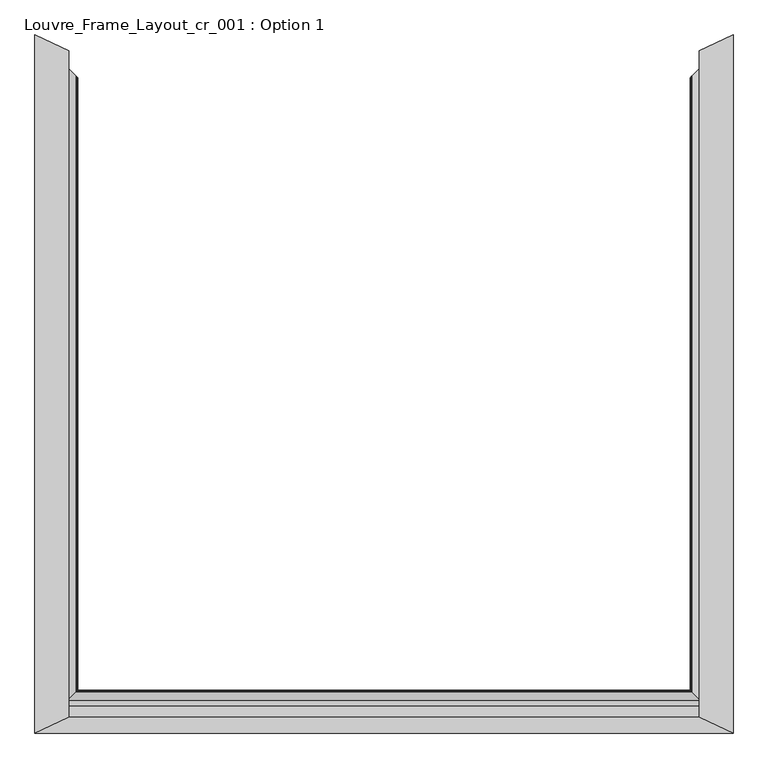
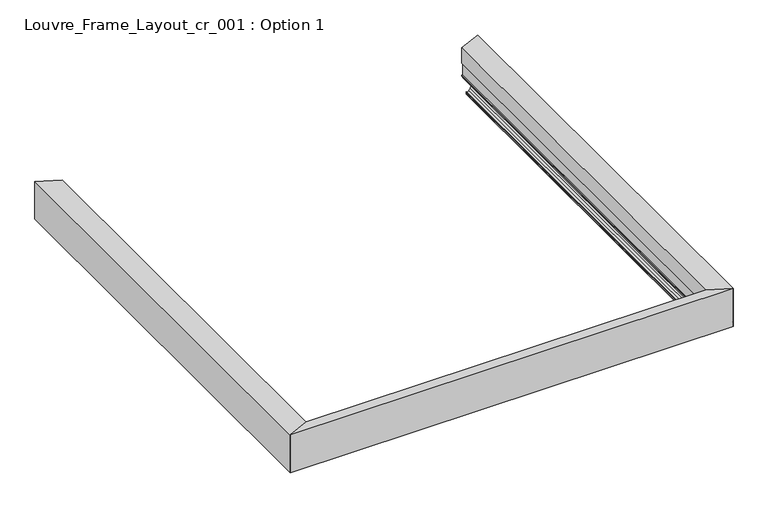
"""IFC4 building model written with IfcOpenShell, lengths in millimetres: proxy geometry, Louvre_Frame_Layout_cr_001 : Option 1."""

from ifc_helpers import new_model, si_unit, frame, origin, place, context, project, spatial, polyline, ellipse_curve, source, transform, mapped, element, save
from ifc_brep_helpers import plane_surface, cylinder_surface, revolved_surface, advanced_brep


def louvre_frame_layout_cr_001_option_1_b5c56db8(model_context):
    return source(origin(), model_context, "Body", "AdvancedBrep", [
        advanced_brep(
        [(3500.0, -1860.0, 40.0285881), (3354.7049082, -1714.7471297, 40.0285881), (3357.499356, -1717.5407655, 38.8575344), (3435.6421077, -1795.6608096, 38.8575344), (3437.2798539, -1797.2980799, 37.2197882), (3437.2798539, -1797.2980799, 30.0771301), (3448.0054103, -1808.0205195, 30.0771301), (3448.0054103, -1808.0205195, 7.0067374), (3443.0005687, -1803.0171323, 2.0018958), (3364.8199959, -1724.8592781, 2.0018958), (3336.794989, -1696.842415, 7.4266447), (3291.7291256, -1651.7896474, 25.5580129), (3291.7291256, -1651.7896474, 39.3616238), (3291.0621612, -1651.1228768, 40.0285881), (3285.4888339, -1645.5511691, 40.0285881), (3284.8218695, -1644.8843985, 39.3616238), (3284.8218695, -1644.8843985, 26.5150991), (3285.3886853, -1645.4510496, 25.9589183), (3349.8942843, -1709.9379038, 0.0), (3500.0, -1860.0, 0.0), (3500.0, -1860.0, 36.793065), (3354.7049082, 1494.7471297, 40.0285881), (3500.0, 1640.0, 40.0285881), (3500.0, 1640.0, 36.793065), (3500.0, 1640.0, 0.0), (3349.8942843, 1489.9379038, 0.0), (3285.3886853, 1425.4510496, 25.9589183), (3284.8218695, 1424.8843985, 26.5150991), (3284.8218695, 1424.8843985, 39.3616238), (3285.4888339, 1425.5511691, 40.0285881), (3291.0621612, 1431.1228768, 40.0285881), (3291.7291256, 1431.7896474, 39.3616238), (3291.7291256, 1431.7896474, 25.5580129), (3336.794989, 1476.842415, 7.4266447), (3364.8199959, 1504.8592781, 2.0018958), (3443.0005687, 1583.0171323, 2.0018958), (3448.0054103, 1588.0205195, 7.0067374), (3448.0054103, 1588.0205195, 30.0771301), (3437.2798539, 1577.2980799, 30.0771301), (3437.2798539, 1577.2980799, 37.2197882), (3435.6421077, 1575.6608096, 38.8575344), (3357.499356, 1497.5407655, 38.8575344), (3330.2950263, 1560.0512704, 186.2985422), (3330.2950263, 1560.0512704, 315.1230176), (3500.0, 1640.0, 315.1230176), (3354.7049082, 1571.5508688, 40.0285881), (3352.0673551, 1570.3083064, 42.7736155), (3330.3018549, 1560.0544873, 79.2796958), (3330.3018549, 1560.0544873, 88.3970766), (3336.7193678, 1563.0778048, 88.3970766), (3336.7193678, 1563.0778048, 186.2985422), (3354.7049082, -1791.5508688, 40.0285881), (3330.2950263, -1780.0512704, 186.2985422), (3330.2950263, -1780.0512704, 315.1230176), (3336.7193678, -1783.0778048, 186.2985422), (3336.7193678, -1783.0778048, 88.3970766), (3330.3018549, -1780.0544873, 88.3970766), (3330.3018549, -1780.0544873, 79.2796958), (3352.0673551, -1790.3083064, 42.7736155), (3500.0, -1860.0, 315.1230176)],
        [
            (0, 1),
            (1, 2, ellipse_curve(frame((3359.3065931, -1719.3474774, 47.0897633), z_axis=(-0.70700401906678, -0.7072095283743144, 0.0), x_axis=(0.7072095283743143, -0.70700401906678, 0.0)), 11.917639, 8.4282679)),
            (2, 3),
            (3, 4, ellipse_curve(frame((3435.6421077, -1795.6608096, 37.2197882), z_axis=(0.70700401906678, 0.7072095283743144, 0.0), x_axis=(-0.7072095283743143, 0.70700401906678, 0.0)), 2.3157864, 1.6377462)),
            (4, 5),
            (5, 6),
            (6, 7),
            (7, 8, ellipse_curve(frame((3443.0005687, -1803.0171323, 7.0067374), z_axis=(0.70700401906678, 0.7072095283743144, 0.0), x_axis=(-0.7072095283743143, 0.70700401906678, 0.0)), 7.0768866, 5.0048416)),
            (8, 9),
            (9, 10, ellipse_curve(frame((3364.8119854, -1724.85127, 77.0634267), z_axis=(0.70700401906678, 0.7072095283743144, 0.0), x_axis=(-0.7072095283743143, 0.70700401906678, 0.0)), 106.1376132, 75.0615314)),
            (10, 11),
            (11, 12),
            (12, 13, ellipse_curve(frame((3291.0621612, -1651.1228768, 39.3616238), z_axis=(-0.70700401906678, -0.7072095283743144, 0.0), x_axis=(0.7072095283743143, -0.70700401906678, 0.0)), 0.943093, 0.6669644)),
            (13, 14),
            (14, 15, ellipse_curve(frame((3285.4888339, -1645.5511691, 39.3616238), z_axis=(-0.70700401906678, -0.7072095283743144, 0.0), x_axis=(0.7072095283743143, -0.70700401906678, 0.0)), 0.943093, 0.6669644)),
            (15, 16),
            (16, 17, ellipse_curve(frame((3285.7754513, -1645.8377032, 26.9199973), z_axis=(-0.70700401906678, -0.7072095283743144, 0.0), x_axis=(0.7072095283743143, -0.70700401906678, 0.0)), 1.4648884, 1.035983)),
            (17, 18),
            (18, 19),
            (19, 20),
            (20, 0),
            (21, 22),
            (22, 23),
            (23, 24),
            (24, 25),
            (25, 26),
            (26, 27, ellipse_curve(frame((3285.7754513, 1425.8377032, 26.9199973), z_axis=(-0.7070040190647345, 0.7072095283763594, 0.0), x_axis=(-0.7072095283763595, -0.7070040190647343, 0.0)), 1.4648884, 1.035983)),
            (27, 28),
            (28, 29, ellipse_curve(frame((3285.4888339, 1425.5511691, 39.3616238), z_axis=(-0.7070040190647345, 0.7072095283763594, 0.0), x_axis=(-0.7072095283763595, -0.7070040190647343, 0.0)), 0.943093, 0.6669644)),
            (29, 30),
            (30, 31, ellipse_curve(frame((3291.0621612, 1431.1228768, 39.3616238), z_axis=(-0.7070040190647345, 0.7072095283763594, 0.0), x_axis=(-0.7072095283763595, -0.7070040190647343, 0.0)), 0.943093, 0.6669644)),
            (31, 32),
            (32, 33),
            (33, 34, ellipse_curve(frame((3364.8119854, 1504.85127, 77.0634267), z_axis=(0.7070040190647345, -0.7072095283763594, 0.0), x_axis=(0.7072095283763595, 0.7070040190647343, 0.0)), 106.1376132, 75.0615314)),
            (34, 35),
            (35, 36, ellipse_curve(frame((3443.0005687, 1583.0171323, 7.0067374), z_axis=(0.7070040190647345, -0.7072095283763594, 0.0), x_axis=(0.7072095283763595, 0.7070040190647343, 0.0)), 7.0768866, 5.0048416)),
            (36, 37),
            (37, 38),
            (38, 39),
            (39, 40, ellipse_curve(frame((3435.6421077, 1575.6608096, 37.2197882), z_axis=(0.7070040190647345, -0.7072095283763594, 0.0), x_axis=(0.7072095283763595, 0.7070040190647343, 0.0)), 2.3157864, 1.6377462)),
            (40, 41),
            (41, 21, ellipse_curve(frame((3359.3065931, 1499.3474775, 47.0897633), z_axis=(-0.7070040190647345, 0.7072095283763594, 0.0), x_axis=(-0.7072095283763595, -0.7070040190647343, 0.0)), 11.917639, 8.4282679)),
            (42, 43),
            (43, 44),
            (44, 22),
            (22, 45),
            (45, 46, ellipse_curve(frame((3359.3065931, 1573.718742, 47.0897633), z_axis=(-0.4261791510910806, 0.9046387849165467, 0.0), x_axis=(-0.9046387849165468, -0.42617915109108023, 0.0)), 9.3167218, 8.4282679)),
            (46, 47),
            (47, 48),
            (48, 49),
            (49, 50),
            (50, 42),
            (0, 51),
            (51, 1),
            (21, 45),
            (42, 52),
            (52, 53),
            (53, 43),
            (50, 54),
            (54, 52),
            (49, 55),
            (55, 54),
            (48, 56),
            (56, 55),
            (47, 57),
            (57, 56),
            (46, 58),
            (58, 57),
            (51, 58, ellipse_curve(frame((3359.3065931, -1793.718742, 47.0897633), z_axis=(0.42617915109110965, 0.9046387849165329, 0.0), x_axis=(0.9046387849165329, -0.4261791510911096, 0.0)), 9.3167218, 8.4282679)),
            (41, 2),
            (40, 3),
            (39, 4),
            (38, 5),
            (37, 6),
            (36, 7),
            (35, 8),
            (34, 9),
            (33, 10),
            (32, 11),
            (31, 12),
            (30, 13),
            (29, 14),
            (28, 15),
            (27, 16),
            (26, 17),
            (25, 18),
            (24, 19),
            (44, 59),
            (59, 0),
            (53, 59),
        ],
        [
            plane_surface(frame((3500.0, -1860.0, 40.0285881), z_axis=(-0.70700401906678, -0.7072095283743144, 0.0), x_axis=(0.0, 0.0, -1.0))),
            plane_surface(frame((3241.9060249, 1381.9810249, 40.0285881), z_axis=(-0.7070040190647345, 0.7072095283763594, 0.0), x_axis=(0.0, 0.0, -1.0))),
            plane_surface(frame((3330.2950263, 1560.0512704, 355.5911694), z_axis=(-0.4261791510910806, 0.9046387849165467, 0.0), x_axis=(0.0, 0.0, -1.0))),
            plane_surface(frame((3241.9060249, -1601.9810249, 40.0285881), z_axis=(0.0, 0.0, -1.0), x_axis=(0.0, -1.0, 0.0))),
            plane_surface(frame((3500.0, 1640.0, 40.0285881), z_axis=(0.0, 0.0, -1.0000000000000002), x_axis=(0.7072095283763594, 0.7070040190647345, 0.0))),
            plane_surface(frame((3330.2950263, -1860.0, 315.1230176), z_axis=(-1.0, 0.0, 0.0), x_axis=(0.0, 1.0, 0.0))),
            plane_surface(frame((3330.2950263, -1860.0, 186.2985422), z_axis=(0.0, 0.0, -1.0), x_axis=(0.0, 1.0, 0.0))),
            plane_surface(frame((3336.7193678, -1860.0, 186.2985422), z_axis=(-1.0, 0.0, 0.0), x_axis=(0.0, 1.0, 0.0))),
            plane_surface(frame((3336.7193678, -1860.0, 88.3970766), z_axis=(0.0, 0.0, 1.0), x_axis=(0.0, 1.0, 0.0))),
            plane_surface(frame((3330.3018549, -1860.0, 88.3970766), z_axis=(-1.0, 0.0, 0.0), x_axis=(0.0, 1.0, 0.0))),
            plane_surface(frame((3330.3018549, -1860.0, 79.2796958), z_axis=(-0.8589235852565517, 0.0, -0.5121037733604697), x_axis=(0.0, 1.0, 0.0))),
            cylinder_surface(frame((3359.3065931, -1860.0, 47.0897633), z_axis=(0.0, -1.0, 0.0), x_axis=(-1.0, 0.0, 0.0)), 8.4282679),
            plane_surface(frame((3357.499356, -1860.0, 38.8575344), z_axis=(0.0, 0.0, -1.0), x_axis=(0.0, 1.0, 0.0))),
            revolved_surface(polyline([(3434.0043615, 1577.2980798999997, 37.2197882), (3434.0043615, -1797.2980799, 37.2197882)]), (3435.6421077, -1860.0, 37.2197882), (0.0, 1.0, 0.0)),
            plane_surface(frame((3437.2798539, -1860.0, 37.2197882), z_axis=(-1.0, 0.0, 0.0), x_axis=(0.0, 1.0, 0.0))),
            plane_surface(frame((3437.2798539, -1860.0, 30.0771301), z_axis=(0.0, 0.0, -1.0), x_axis=(0.0, 1.0, 0.0))),
            plane_surface(frame((3448.0054103, -1860.0, 30.0771301), z_axis=(-1.0, 0.0, 0.0), x_axis=(0.0, 1.0, 0.0))),
            revolved_surface(polyline([(3437.9957271, 1588.0205195686653, 7.0067374), (3437.9957271, -1808.02051956868, 7.0067374)]), (3443.0005687, -1860.0, 7.0067374), (0.0, 1.0, 0.0)),
            plane_surface(frame((3443.0005687, -1860.0, 2.0018958), z_axis=(0.0, 0.0, 1.0), x_axis=(0.0, 1.0, 0.0))),
            revolved_surface(polyline([(3289.750454, 1579.890989106338, 77.0634267), (3289.750454, -1799.8909891065555, 77.0634267)]), (3364.8119854, -1860.0, 77.0634267), (0.0, 1.0, 0.0)),
            plane_surface(frame((3336.794989, -1860.0, 7.4266447), z_axis=(0.37325372835204107, 0.0, 0.9277293001039154), x_axis=(0.0, 1.0, 0.0))),
            plane_surface(frame((3291.7291256, -1860.0, 25.5580129), z_axis=(1.0, 0.0, 0.0), x_axis=(0.0, 1.0, 0.0))),
            cylinder_surface(frame((3291.0621612, -1860.0, 39.3616238), z_axis=(0.0, -1.0, 0.0), x_axis=(-1.0, 0.0, 0.0)), 0.6669644),
            plane_surface(frame((3291.0621612, -1860.0, 40.0285881), z_axis=(0.0, 0.0, 1.0), x_axis=(0.0, 1.0, 0.0))),
            cylinder_surface(frame((3285.4888339, -1860.0, 39.3616238), z_axis=(0.0, -1.0, 0.0), x_axis=(1.0, 0.0, 0.0)), 0.6669644),
            plane_surface(frame((3284.8218695, -1860.0, 39.3616238), z_axis=(-1.0, 0.0, 0.0), x_axis=(0.0, 1.0, 0.0))),
            cylinder_surface(frame((3285.7754513, -1860.0, 26.9199973), z_axis=(0.0, -1.0, 0.0), x_axis=(-1.0, 0.0, 0.0)), 1.035983),
            plane_surface(frame((3285.3886853, -1860.0, 25.9589183), z_axis=(-0.3733323631651337, 0.0, -0.9276976590536039), x_axis=(0.0, 1.0, 0.0))),
            plane_surface(frame((3349.8942843, -1860.0, 0.0), z_axis=(0.0, 0.0, -1.0), x_axis=(0.0, 1.0, 0.0))),
            plane_surface(frame((3500.0, -1860.0, 0.0), z_axis=(1.0, 0.0, 0.0), x_axis=(0.0, 1.0, 0.0))),
            plane_surface(frame((3500.0, -1860.0, 315.1230176), z_axis=(0.0, 0.0, 1.0), x_axis=(0.0, 1.0, 0.0))),
            plane_surface(frame((3500.0, -1860.0, 355.5911694), z_axis=(-0.42617915109110965, -0.9046387849165329, 0.0), x_axis=(0.0, 0.0, -1.0))),
        ],
        [
            (0, [[1, 2, 3, 4, 5, 6, 7, 8, 9, 10, 11, 12, 13, 14, 15, 16, 17, 18, 19, 20, 21]]),
            (1, [[22, 23, 24, 25, 26, 27, 28, 29, 30, 31, 32, 33, 34, 35, 36, 37, 38, 39, 40, 41, 42]]),
            (2, [[43, 44, 45, 46, 47, 48, 49, 50, 51, 52]]),
            (3, [[-1, 53, 54]]),
            (4, [[-22, 55, -46]]),
            (5, [[-43, 56, 57, 58]]),
            (6, [[-52, 59, 60, -56]]),
            (7, [[-51, 61, 62, -59]]),
            (8, [[-50, 63, 64, -61]]),
            (9, [[-49, 65, 66, -63]]),
            (10, [[-48, 67, 68, -65]]),
            (11, [[-2, -54, 69, -67, -47, -55, -42, 70]]),
            (12, [[-3, -70, -41, 71]]),
            (13, [[-4, -71, -40, 72]]),
            (14, [[-5, -72, -39, 73]]),
            (15, [[-6, -73, -38, 74]]),
            (16, [[-7, -74, -37, 75]]),
            (17, [[-8, -75, -36, 76]]),
            (18, [[-9, -76, -35, 77]]),
            (19, [[-10, -77, -34, 78]]),
            (20, [[-11, -78, -33, 79]]),
            (21, [[-12, -79, -32, 80]]),
            (22, [[-13, -80, -31, 81]]),
            (23, [[-14, -81, -30, 82]]),
            (24, [[-15, -82, -29, 83]]),
            (25, [[-16, -83, -28, 84]]),
            (26, [[-17, -84, -27, 85]]),
            (27, [[-18, -85, -26, 86]]),
            (28, [[87, -19, -86, -25]]),
            (29, [[-87, -24, -23, -45, 88, 89, -21, -20]]),
            (30, [[-88, -44, -58, 90]]),
            (31, [[-57, -60, -62, -64, -66, -68, -69, -53, -89, -90]]),
        ],
    ),
        advanced_brep(
        [(57.3003291, -1802.6996709, 38.7959832), (55.2974109, -1804.7025891, 36.793065), (52.5783381, -1807.4216619, 36.793065), (51.9945897, -1808.0054103, 36.2093165), (51.9945897, -1808.0054103, 7.0067374), (56.9994313, -1803.0005687, 2.0018958), (135.1800041, -1724.8199959, 2.0018958), (163.205011, -1696.794989, 7.4266447), (208.2708744, -1651.7291256, 25.5580129), (208.2708744, -1651.7291256, 39.3616238), (208.9378388, -1651.0621612, 40.0285881), (214.5111661, -1645.4888339, 40.0285881), (215.1781305, -1644.8218695, 39.3616238), (215.1781305, -1644.8218695, 26.1870213), (150.1057157, -1709.8942843, 0.0), (0.0, -1860.0, 0.0), (0.0, -1860.0, 38.8575344), (3444.7025891, -1804.7025891, 36.793065), (3442.6996709, -1802.6996709, 38.7959832), (3500.0, -1860.0, 38.8575344), (3500.0, -1860.0, 0.0), (3349.8942843, -1709.8942843, 0.0), (3284.8218695, -1644.8218695, 26.1870213), (3284.8218695, -1644.8218695, 39.3616238), (3285.4888339, -1645.4888339, 40.0285881), (3291.0621612, -1651.0621612, 40.0285881), (3291.7291256, -1651.7291256, 39.3616238), (3291.7291256, -1651.7291256, 25.5580129), (3336.794989, -1696.794989, 7.4266447), (3364.8199959, -1724.8199959, 2.0018958), (3443.0005687, -1803.0005687, 2.0018958), (3448.0054103, -1808.0054103, 7.0067374), (3448.0054103, -1808.0054103, 36.2093165), (3447.4216619, -1807.4216619, 36.793065), (3330.2950263, -1780.0512704, 316.6276048), (3330.2950263, -1780.0512704, 186.7535382), (169.7049737, -1780.0512704, 186.7535382), (169.7049737, -1780.0512704, 316.6276048), (3389.6325118, -1808.0054103, 186.7535382), (110.3674882, -1808.0054103, 186.7535382), (3389.6325118, -1808.0054103, 66.9467725), (110.3674882, -1808.0054103, 66.9467725), (3388.3114217, -1807.3830392, 66.3244014), (111.6885783, -1807.3830392, 66.3244014), (3382.6221378, -1804.7027935, 66.3244014), (117.3778622, -1804.7027935, 66.3244014), (3378.3701643, -1802.6996709, 64.3212787), (121.6298357, -1802.6996709, 64.3212787), (3378.3701643, -1802.6996709, 38.7959832), (121.6298357, -1802.6996709, 38.7959832), (3500.0, -1860.0, 40.0285881), (3500.0, -1860.0, 316.6276048), (0.0, -1860.0, 316.6276048), (0.0, -1860.0, 40.0285881)],
        [
            (0, 1, ellipse_curve(frame((55.2974109, -1804.7025891, 38.7959832), z_axis=(-0.7071067811864462, 0.7071067811866489, 0.0), x_axis=(-0.7071067811866488, -0.7071067811864462, 0.0)), 2.832554, 2.0029182)),
            (1, 2),
            (2, 3, ellipse_curve(frame((52.5783381, -1807.4216619, 36.2093165), z_axis=(0.7071067811864462, -0.7071067811866489, 0.0), x_axis=(0.7071067811866488, 0.7071067811864462, 0.0)), 0.825545, 0.5837485)),
            (3, 4),
            (4, 5, ellipse_curve(frame((56.9994313, -1803.0005687, 7.0067374), z_axis=(0.7071067811864462, -0.7071067811866489, 0.0), x_axis=(0.7071067811866488, 0.7071067811864462, 0.0)), 7.0779149, 5.0048416)),
            (5, 6),
            (6, 7, ellipse_curve(frame((135.1880146, -1724.8119854, 77.0634267), z_axis=(0.7071067811864462, -0.7071067811866489, 0.0), x_axis=(0.7071067811866488, 0.7071067811864462, 0.0)), 106.1530357, 75.0615314)),
            (7, 8),
            (8, 9),
            (9, 10, ellipse_curve(frame((208.9378388, -1651.0621612, 39.3616238), z_axis=(-0.7071067811864462, 0.7071067811866489, 0.0), x_axis=(-0.7071067811866488, -0.7071067811864462, 0.0)), 0.94323, 0.6669644)),
            (10, 11),
            (11, 12, ellipse_curve(frame((214.5111661, -1645.4888339, 39.3616238), z_axis=(-0.7071067811864462, 0.7071067811866489, 0.0), x_axis=(-0.7071067811866488, -0.7071067811864462, 0.0)), 0.94323, 0.6669644)),
            (12, 13),
            (13, 14),
            (14, 15),
            (15, 16),
            (16, 0),
            (17, 18, ellipse_curve(frame((3444.7025891, -1804.7025891, 38.7959832), z_axis=(0.7071067811866589, 0.7071067811864362, 0.0), x_axis=(-0.7071067811864361, 0.707106781186659, 0.0)), 2.832554, 2.0029182)),
            (18, 19),
            (19, 20),
            (20, 21),
            (21, 22),
            (22, 23),
            (23, 24, ellipse_curve(frame((3285.4888339, -1645.4888339, 39.3616238), z_axis=(0.7071067811866589, 0.7071067811864362, 0.0), x_axis=(-0.7071067811864361, 0.707106781186659, 0.0)), 0.94323, 0.6669644)),
            (24, 25),
            (25, 26, ellipse_curve(frame((3291.0621612, -1651.0621612, 39.3616238), z_axis=(0.7071067811866589, 0.7071067811864362, 0.0), x_axis=(-0.7071067811864361, 0.707106781186659, 0.0)), 0.94323, 0.6669644)),
            (26, 27),
            (27, 28),
            (28, 29, ellipse_curve(frame((3364.8119854, -1724.8119854, 77.0634267), z_axis=(-0.7071067811866589, -0.7071067811864362, 0.0), x_axis=(0.7071067811864361, -0.707106781186659, 0.0)), 106.1530357, 75.0615314)),
            (29, 30),
            (30, 31, ellipse_curve(frame((3443.0005687, -1803.0005687, 7.0067374), z_axis=(-0.7071067811866589, -0.7071067811864362, 0.0), x_axis=(0.7071067811864361, -0.707106781186659, 0.0)), 7.0779149, 5.0048416)),
            (31, 32),
            (32, 33, ellipse_curve(frame((3447.4216619, -1807.4216619, 36.2093165), z_axis=(-0.7071067811866589, -0.7071067811864362, 0.0), x_axis=(0.7071067811864361, -0.707106781186659, 0.0)), 0.825545, 0.5837485)),
            (33, 17),
            (34, 35),
            (35, 36),
            (36, 37),
            (37, 34),
            (35, 38),
            (38, 39),
            (39, 36),
            (38, 40),
            (40, 41),
            (41, 39),
            (40, 42, ellipse_curve(frame((3388.3114217, -1807.3830392, 66.9467725), z_axis=(0.42617915109109655, 0.9046387849165392, 0.0), x_axis=(0.9046387849165392, -0.4261791510910966, 0.0)), 1.460351, 0.6223711)),
            (42, 43),
            (43, 41, ellipse_curve(frame((111.6885783, -1807.3830392, 66.9467725), z_axis=(-0.42617915109134613, 0.9046387849164216, 0.0), x_axis=(0.9046387849164216, 0.4261791510913462, 0.0)), 1.460351, 0.6223711)),
            (42, 44),
            (44, 45),
            (45, 43),
            (44, 46, ellipse_curve(frame((3382.6221378, -1804.7027935, 64.3212787), z_axis=(-0.42617915109109655, -0.9046387849165392, 0.0), x_axis=(-0.9046387849165392, 0.4261791510910966, 0.0)), 4.7001892, 2.0031227)),
            (46, 47),
            (47, 45, ellipse_curve(frame((117.3778622, -1804.7027935, 64.3212787), z_axis=(0.42617915109134613, -0.9046387849164216, 0.0), x_axis=(-0.9046387849164216, -0.4261791510913462, 0.0)), 4.7001892, 2.0031227)),
            (46, 48),
            (48, 49),
            (49, 47),
            (0, 49),
            (48, 18),
            (17, 1),
            (33, 2),
            (32, 3),
            (31, 4),
            (30, 5),
            (29, 6),
            (28, 7),
            (27, 8),
            (26, 9),
            (25, 10),
            (24, 11),
            (23, 12),
            (22, 13),
            (21, 14),
            (20, 15),
            (19, 50),
            (50, 51),
            (51, 52),
            (52, 53),
            (53, 16),
            (51, 34),
            (37, 52),
            (48, 19),
            (16, 49),
        ],
        [
            plane_surface(frame((0.0, -1860.0, 40.0285881), z_axis=(-0.7071067811864462, 0.7071067811866489, 0.0), x_axis=(0.0, 0.0, -1.0))),
            plane_surface(frame((3241.9060249, -1601.9060249, 40.0285881), z_axis=(0.7071067811866589, 0.7071067811864362, 0.0), x_axis=(0.0, 0.0, -1.0))),
            plane_surface(frame((0.0, -1780.0512704, 316.6276048), z_axis=(0.0, 1.0, 0.0), x_axis=(1.0, 0.0, 0.0))),
            plane_surface(frame((0.0, -1780.0512704, 186.7535382), z_axis=(0.0, 0.0, -1.0), x_axis=(1.0, 0.0, 0.0))),
            plane_surface(frame((0.0, -1808.0054103, 186.7535382), z_axis=(0.0, 1.0, 0.0), x_axis=(1.0, 0.0, 0.0))),
            revolved_surface(polyline([(3389.6325118541918, -1806.7606681, 66.9467725), (110.36748814580852, -1806.7606681, 66.9467725)]), (0.0, -1807.3830392, 66.9467725), (1.0, 0.0, 0.0)),
            plane_surface(frame((0.0, -1807.3830392, 66.3244014), z_axis=(0.0, 0.0, 1.0), x_axis=(1.0, 0.0, 0.0))),
            cylinder_surface(frame((0.0, -1804.7027935, 64.3212787), z_axis=(-1.0, 0.0, 0.0), x_axis=(0.0, 1.0, 0.0)), 2.0031227),
            plane_surface(frame((0.0, -1802.6996709, 64.3212787), z_axis=(0.0, 1.0, 0.0), x_axis=(1.0, 0.0, 0.0))),
            cylinder_surface(frame((0.0, -1804.7025891, 38.7959832), z_axis=(-1.0, 0.0, 0.0), x_axis=(0.0, 1.0, 0.0)), 2.0029182),
            plane_surface(frame((0.0, -1804.7025891, 36.793065), z_axis=(0.0, 0.0, -1.0), x_axis=(1.0, 0.0, 0.0))),
            revolved_surface(polyline([(3448.0054103676744, -1806.8379134, 36.2093165), (51.99458963232527, -1806.8379134, 36.2093165)]), (0.0, -1807.4216619, 36.2093165), (1.0, 0.0, 0.0)),
            plane_surface(frame((0.0, -1808.0054103, 36.2093165), z_axis=(0.0, 1.0, 0.0), x_axis=(1.0, 0.0, 0.0))),
            revolved_surface(polyline([(3448.00541032245, -1797.9957271, 7.0067374), (51.99458967754798, -1797.9957271, 7.0067374)]), (0.0, -1803.0005687, 7.0067374), (1.0, 0.0, 0.0)),
            plane_surface(frame((0.0, -1803.0005687, 2.0018958), z_axis=(0.0, 0.0, 1.0), x_axis=(1.0, 0.0, 0.0))),
            revolved_surface(polyline([(3439.873516786996, -1649.750454, 77.0634267), (60.12648321298158, -1649.750454, 77.0634267)]), (0.0, -1724.8119854, 77.0634267), (1.0, 0.0, 0.0)),
            plane_surface(frame((0.0, -1696.794989, 7.4266447), z_axis=(0.0, -0.37325372835204085, 0.9277293001039155), x_axis=(1.0, 0.0, 0.0))),
            plane_surface(frame((0.0, -1651.7291256, 25.5580129), z_axis=(0.0, -1.0, 0.0), x_axis=(1.0, 0.0, 0.0))),
            cylinder_surface(frame((0.0, -1651.0621612, 39.3616238), z_axis=(-1.0, 0.0, 0.0), x_axis=(0.0, 1.0, 0.0)), 0.6669644),
            plane_surface(frame((0.0, -1651.0621612, 40.0285881), z_axis=(0.0, 0.0, 1.0), x_axis=(1.0, 0.0, 0.0))),
            cylinder_surface(frame((0.0, -1645.4888339, 39.3616238), z_axis=(-1.0, 0.0, 0.0), x_axis=(0.0, -1.0, 0.0)), 0.6669644),
            plane_surface(frame((0.0, -1644.8218695, 39.3616238), z_axis=(0.0, 1.0, 0.0), x_axis=(1.0, 0.0, 0.0))),
            plane_surface(frame((0.0, -1644.8218695, 26.1870213), z_axis=(0.0, 0.3733323631651337, -0.927697659053604), x_axis=(1.0, 0.0, 0.0))),
            plane_surface(frame((0.0, -1709.8942843, 0.0), z_axis=(0.0, 0.0, -1.0), x_axis=(1.0, 0.0, 0.0))),
            plane_surface(frame((0.0, -1860.0, 0.0), z_axis=(0.0, -1.0, 0.0), x_axis=(1.0, 0.0, 0.0))),
            plane_surface(frame((0.0, -1860.0, 316.6276048), z_axis=(0.0, 0.0, 1.0), x_axis=(1.0, 0.0, 0.0))),
            plane_surface(frame((3500.0, -1860.0, 38.8575344), z_axis=(0.0, 0.0, 1.0), x_axis=(-0.9046387849165392, 0.42617915109109655, 0.0))),
            plane_surface(frame((3330.2950263, -1780.0512704, 398.4370867), z_axis=(0.42617915109109655, 0.9046387849165392, 0.0), x_axis=(0.0, 0.0, -1.0))),
            plane_surface(frame((0.0, -1780.0512704, 38.8575344), z_axis=(0.0, 0.0, 1.0), x_axis=(1.0, 0.0, 0.0))),
            plane_surface(frame((0.0, -1860.0, 398.4370867), z_axis=(-0.42617915109134613, 0.9046387849164216, 0.0), x_axis=(0.0, 0.0, -1.0))),
        ],
        [
            (0, [[1, 2, 3, 4, 5, 6, 7, 8, 9, 10, 11, 12, 13, 14, 15, 16, 17]]),
            (1, [[18, 19, 20, 21, 22, 23, 24, 25, 26, 27, 28, 29, 30, 31, 32, 33, 34]]),
            (2, [[35, 36, 37, 38]]),
            (3, [[39, 40, 41, -36]]),
            (4, [[42, 43, 44, -40]]),
            (5, [[45, 46, 47, -43]]),
            (6, [[48, 49, 50, -46]]),
            (7, [[51, 52, 53, -49]]),
            (8, [[54, 55, 56, -52]]),
            (9, [[-1, 57, -55, 58, -18, 59]]),
            (10, [[-2, -59, -34, 60]]),
            (11, [[-3, -60, -33, 61]]),
            (12, [[-4, -61, -32, 62]]),
            (13, [[-5, -62, -31, 63]]),
            (14, [[-6, -63, -30, 64]]),
            (15, [[-7, -64, -29, 65]]),
            (16, [[-8, -65, -28, 66]]),
            (17, [[-9, -66, -27, 67]]),
            (18, [[-10, -67, -26, 68]]),
            (19, [[-11, -68, -25, 69]]),
            (20, [[-12, -69, -24, 70]]),
            (21, [[-13, -70, -23, 71]]),
            (22, [[-14, -71, -22, 72]]),
            (23, [[73, -15, -72, -21]]),
            (24, [[-73, -20, 74, 75, 76, 77, 78, -16]]),
            (25, [[-76, 79, -38, 80]]),
            (26, [[81, -19, -58]]),
            (27, [[-81, -54, -51, -48, -45, -42, -39, -35, -79, -75, -74]]),
            (28, [[82, -57, -17]]),
            (29, [[-82, -78, -77, -80, -37, -41, -44, -47, -50, -53, -56]]),
        ],
    ),
        advanced_brep(
        [(145.2950918, -1714.7049082, 40.0285881), (0.0, -1860.0, 40.0285881), (0.0, -1860.0, 36.793065), (0.0, -1860.0, 0.0), (150.1057157, -1709.8942843, 0.0), (214.6113147, -1645.3886853, 25.9589183), (215.1781305, -1644.8218695, 26.5150991), (215.1781305, -1644.8218695, 39.3616238), (214.5111661, -1645.4888339, 40.0285881), (208.9378388, -1651.0621612, 40.0285881), (208.2708744, -1651.7291256, 39.3616238), (208.2708744, -1651.7291256, 25.5580129), (163.205011, -1696.794989, 7.4266447), (135.1800041, -1724.8199959, 2.0018958), (56.9994313, -1803.0005687, 2.0018958), (51.9945897, -1808.0054103, 7.0067374), (51.9945897, -1808.0054103, 30.0771301), (62.7201461, -1797.2798539, 30.0771301), (62.7201461, -1797.2798539, 37.2197882), (64.3578923, -1795.6421077, 38.8575344), (142.500644, -1717.499356, 38.8575344), (0.0, 1640.0, 40.0285881), (145.2950918, 1494.7471297, 40.0285881), (142.500644, 1497.5407655, 38.8575344), (64.3578923, 1575.6608096, 38.8575344), (62.7201461, 1577.2980799, 37.2197882), (62.7201461, 1577.2980799, 30.0771301), (51.9945897, 1588.0205195, 30.0771301), (51.9945897, 1588.0205195, 7.0067374), (56.9994313, 1583.0171323, 2.0018958), (135.1800041, 1504.8592781, 2.0018958), (163.205011, 1476.842415, 7.4266447), (208.2708744, 1431.7896474, 25.5580129), (208.2708744, 1431.7896474, 39.3616238), (208.9378388, 1431.1228768, 40.0285881), (214.5111661, 1425.5511691, 40.0285881), (215.1781305, 1424.8843985, 39.3616238), (215.1781305, 1424.8843985, 26.5150991), (214.6113147, 1425.4510496, 25.9589183), (150.1057157, 1489.9379038, 0.0), (0.0, 1640.0, 0.0), (0.0, 1640.0, 36.793065), (145.2950918, -1791.5508688, 40.0285881), (145.2950918, 1571.5508688, 40.0285881), (0.0, 1640.0, 315.1230176), (0.0, -1860.0, 315.1230176), (169.7049737, -1780.0512704, 315.1230176), (169.7049737, 1560.0512704, 315.1230176), (147.9326449, 1570.3083064, 42.7736155), (147.9326449, -1790.3083064, 42.7736155), (169.6981451, -1780.0544873, 79.2796958), (169.6981451, 1560.0544873, 79.2796958), (169.6981451, -1780.0544873, 88.3970766), (169.6981451, 1560.0544873, 88.3970766), (163.2806322, -1783.0778048, 88.3970766), (163.2806322, 1563.0778048, 88.3970766), (163.2806322, -1783.0778048, 186.2985422), (163.2806322, 1563.0778048, 186.2985422), (169.7049737, -1780.0512704, 186.2985422), (169.7049737, 1560.0512704, 186.2985422)],
        [
            (0, 1),
            (1, 2),
            (2, 3),
            (3, 4),
            (4, 5),
            (5, 6, ellipse_curve(frame((214.2245487, -1645.7754513, 26.9199973), z_axis=(0.707106781186508, -0.707106781186587, 0.0), x_axis=(-0.707106781186587, -0.707106781186508, 0.0)), 1.4651013, 1.035983)),
            (6, 7),
            (7, 8, ellipse_curve(frame((214.5111661, -1645.4888339, 39.3616238), z_axis=(0.707106781186508, -0.707106781186587, 0.0), x_axis=(-0.707106781186587, -0.707106781186508, 0.0)), 0.94323, 0.6669644)),
            (8, 9),
            (9, 10, ellipse_curve(frame((208.9378388, -1651.0621612, 39.3616238), z_axis=(0.707106781186508, -0.707106781186587, 0.0), x_axis=(-0.707106781186587, -0.707106781186508, 0.0)), 0.94323, 0.6669644)),
            (10, 11),
            (11, 12),
            (12, 13, ellipse_curve(frame((135.1880146, -1724.8119854, 77.0634267), z_axis=(-0.707106781186508, 0.707106781186587, 0.0), x_axis=(0.707106781186587, 0.707106781186508, 0.0)), 106.1530357, 75.0615314)),
            (13, 14),
            (14, 15, ellipse_curve(frame((56.9994313, -1803.0005687, 7.0067374), z_axis=(-0.707106781186508, 0.707106781186587, 0.0), x_axis=(0.707106781186587, 0.707106781186508, 0.0)), 7.0779149, 5.0048416)),
            (15, 16),
            (16, 17),
            (17, 18),
            (18, 19, ellipse_curve(frame((64.3578923, -1795.6421077, 37.2197882), z_axis=(-0.707106781186508, 0.707106781186587, 0.0), x_axis=(0.707106781186587, 0.707106781186508, 0.0)), 2.3161229, 1.6377462)),
            (19, 20),
            (20, 0, ellipse_curve(frame((140.6934069, -1719.3065931, 47.0897633), z_axis=(0.707106781186508, -0.707106781186587, 0.0), x_axis=(-0.707106781186587, -0.707106781186508, 0.0)), 11.9193707, 8.4282679)),
            (21, 22),
            (22, 23, ellipse_curve(frame((140.6934069, 1499.3474774, 47.0897633), z_axis=(0.7070040190783584, 0.7072095283627394, 0.0), x_axis=(0.7072095283627394, -0.7070040190783583, 0.0)), 11.917639, 8.4282679)),
            (23, 24),
            (24, 25, ellipse_curve(frame((64.3578923, 1575.6608096, 37.2197882), z_axis=(-0.7070040190783584, -0.7072095283627394, 0.0), x_axis=(-0.7072095283627394, 0.7070040190783583, 0.0)), 2.3157864, 1.6377462)),
            (25, 26),
            (26, 27),
            (27, 28),
            (28, 29, ellipse_curve(frame((56.9994313, 1583.0171323, 7.0067374), z_axis=(-0.7070040190783584, -0.7072095283627394, 0.0), x_axis=(-0.7072095283627394, 0.7070040190783583, 0.0)), 7.0768866, 5.0048416)),
            (29, 30),
            (30, 31, ellipse_curve(frame((135.1880146, 1504.85127, 77.0634267), z_axis=(-0.7070040190783584, -0.7072095283627394, 0.0), x_axis=(-0.7072095283627394, 0.7070040190783583, 0.0)), 106.1376132, 75.0615314)),
            (31, 32),
            (32, 33),
            (33, 34, ellipse_curve(frame((208.9378388, 1431.1228768, 39.3616238), z_axis=(0.7070040190783584, 0.7072095283627394, 0.0), x_axis=(0.7072095283627394, -0.7070040190783583, 0.0)), 0.943093, 0.6669644)),
            (34, 35),
            (35, 36, ellipse_curve(frame((214.5111661, 1425.5511691, 39.3616238), z_axis=(0.7070040190783584, 0.7072095283627394, 0.0), x_axis=(0.7072095283627394, -0.7070040190783583, 0.0)), 0.943093, 0.6669644)),
            (36, 37),
            (37, 38, ellipse_curve(frame((214.2245487, 1425.8377032, 26.9199973), z_axis=(0.7070040190783584, 0.7072095283627394, 0.0), x_axis=(0.7072095283627394, -0.7070040190783583, 0.0)), 1.4648884, 1.035983)),
            (38, 39),
            (39, 40),
            (40, 41),
            (41, 21),
            (0, 42),
            (42, 1),
            (21, 43),
            (43, 22),
            (44, 45),
            (45, 46),
            (46, 47),
            (47, 44),
            (44, 21),
            (40, 3),
            (1, 45),
            (39, 4),
            (38, 5),
            (37, 6),
            (36, 7),
            (35, 8),
            (34, 9),
            (33, 10),
            (32, 11),
            (31, 12),
            (30, 13),
            (29, 14),
            (28, 15),
            (27, 16),
            (26, 17),
            (25, 18),
            (24, 19),
            (23, 20),
            (43, 48, ellipse_curve(frame((140.6934069, 1573.718742, 47.0897633), z_axis=(-0.42617915109127075, -0.9046387849164571, 0.0), x_axis=(0.9046387849164572, -0.4261791510912706, 0.0)), 9.3167218, 8.4282679)),
            (48, 49),
            (49, 42, ellipse_curve(frame((140.6934069, -1793.718742, 47.0897633), z_axis=(-0.42617915109133725, 0.9046387849164258, 0.0), x_axis=(-0.9046387849164259, -0.426179151091337, 0.0)), 9.3167218, 8.4282679)),
            (50, 49),
            (48, 51),
            (51, 50),
            (52, 50),
            (51, 53),
            (53, 52),
            (54, 52),
            (53, 55),
            (55, 54),
            (56, 54),
            (55, 57),
            (57, 56),
            (58, 56),
            (57, 59),
            (59, 58),
            (46, 58),
            (59, 47),
        ],
        [
            plane_surface(frame((215.1781305, -1644.8218695, 40.0285881), z_axis=(0.707106781186508, -0.707106781186587, 0.0), x_axis=(0.0, 0.0, -1.0))),
            plane_surface(frame((0.0, 1640.0, 40.0285881), z_axis=(0.7070040190783584, 0.7072095283627394, 0.0), x_axis=(0.0, 0.0, -1.0))),
            plane_surface(frame((0.0, -1860.0, 40.0285881), z_axis=(0.0, 0.0, -1.0), x_axis=(-0.707106781186587, -0.707106781186508, 0.0))),
            plane_surface(frame((258.0939751, 1381.9810249, 40.0285881), z_axis=(0.0, 0.0, -1.0), x_axis=(0.0, 1.0, 0.0))),
            plane_surface(frame((169.7049737, -1860.0, 315.1230176), z_axis=(0.0, 0.0, 1.0), x_axis=(0.0, 1.0, 0.0))),
            plane_surface(frame((0.0, -1860.0, 315.1230176), z_axis=(-1.0, 0.0, 0.0), x_axis=(0.0, 1.0, 0.0))),
            plane_surface(frame((0.0, -1860.0, 0.0), z_axis=(0.0, 0.0, -1.0), x_axis=(0.0, 1.0, 0.0))),
            plane_surface(frame((150.1057157, -1860.0, 0.0), z_axis=(0.3733323631651337, 0.0, -0.9276976590536039), x_axis=(0.0, 1.0, 0.0))),
            cylinder_surface(frame((214.2245487, -1860.0, 26.9199973), z_axis=(0.0, -1.0, 0.0), x_axis=(1.0, 0.0, 0.0)), 1.035983),
            plane_surface(frame((215.1781305, -1860.0, 26.5150991), z_axis=(1.0, 0.0, 0.0), x_axis=(0.0, 1.0, 0.0))),
            cylinder_surface(frame((214.5111661, -1860.0, 39.3616238), z_axis=(0.0, -1.0, 0.0), x_axis=(-1.0, 0.0, 0.0)), 0.6669644),
            plane_surface(frame((214.5111661, -1860.0, 40.0285881), z_axis=(0.0, 0.0, 1.0), x_axis=(0.0, 1.0, 0.0))),
            cylinder_surface(frame((208.9378388, -1860.0, 39.3616238), z_axis=(0.0, -1.0, 0.0), x_axis=(1.0, 0.0, 0.0)), 0.6669644),
            plane_surface(frame((208.2708744, -1860.0, 39.3616238), z_axis=(-1.0, 0.0, 0.0), x_axis=(0.0, 1.0, 0.0))),
            plane_surface(frame((208.2708744, -1860.0, 25.5580129), z_axis=(-0.37325372835204107, 0.0, 0.9277293001039154), x_axis=(0.0, 1.0, 0.0))),
            revolved_surface(polyline([(210.249546, 1579.8909891077842, 77.0634267), (210.249546, -1799.8735167870034, 77.0634267)]), (135.1880146, -1860.0, 77.0634267), (0.0, 1.0, 0.0)),
            plane_surface(frame((135.1800041, -1860.0, 2.0018958), z_axis=(0.0, 0.0, 1.0), x_axis=(0.0, 1.0, 0.0))),
            revolved_surface(polyline([(62.0042729, 1588.0205195687618, 7.0067374), (62.0042729, -1808.005410322451, 7.0067374)]), (56.9994313, -1860.0, 7.0067374), (0.0, 1.0, 0.0)),
            plane_surface(frame((51.9945897, -1860.0, 7.0067374), z_axis=(1.0, 0.0, 0.0), x_axis=(0.0, 1.0, 0.0))),
            plane_surface(frame((51.9945897, -1860.0, 30.0771301), z_axis=(0.0, 0.0, -1.0), x_axis=(0.0, 1.0, 0.0))),
            plane_surface(frame((62.7201461, -1860.0, 30.0771301), z_axis=(1.0, 0.0, 0.0), x_axis=(0.0, 1.0, 0.0))),
            revolved_surface(polyline([(65.9956385, 1577.2980798999997, 37.2197882), (65.9956385, -1797.2798539086514, 37.2197882)]), (64.3578923, -1860.0, 37.2197882), (0.0, 1.0, 0.0)),
            plane_surface(frame((64.3578923, -1860.0, 38.8575344), z_axis=(0.0, 0.0, -1.0), x_axis=(0.0, 1.0, 0.0))),
            cylinder_surface(frame((140.6934069, -1860.0, 47.0897633), z_axis=(0.0, -1.0, 0.0), x_axis=(1.0, 0.0, 0.0)), 8.4282679),
            plane_surface(frame((147.9326449, -1860.0, 42.7736155), z_axis=(0.8589235852565517, 0.0, -0.5121037733604697), x_axis=(0.0, 1.0, 0.0))),
            plane_surface(frame((169.6981451, -1860.0, 79.2796958), z_axis=(1.0, 0.0, 0.0), x_axis=(0.0, 1.0, 0.0))),
            plane_surface(frame((169.6981451, -1860.0, 88.3970766), z_axis=(0.0, 0.0, 1.0), x_axis=(0.0, 1.0, 0.0))),
            plane_surface(frame((163.2806322, -1860.0, 88.3970766), z_axis=(1.0, 0.0, 0.0), x_axis=(0.0, 1.0, 0.0))),
            plane_surface(frame((163.2806322, -1860.0, 186.2985422), z_axis=(0.0, 0.0, -1.0), x_axis=(0.0, 1.0, 0.0))),
            plane_surface(frame((169.7049737, -1860.0, 186.2985422), z_axis=(1.0, 0.0, 0.0), x_axis=(0.0, 1.0, 0.0))),
            plane_surface(frame((169.7049737, -1780.0512704, 355.5911694), z_axis=(0.42617915109133725, -0.9046387849164258, 0.0), x_axis=(0.0, 0.0, -1.0))),
            plane_surface(frame((0.0, 1640.0, 355.5911694), z_axis=(0.42617915109127075, 0.9046387849164571, 0.0), x_axis=(0.0, 0.0, -1.0))),
        ],
        [
            (0, [[1, 2, 3, 4, 5, 6, 7, 8, 9, 10, 11, 12, 13, 14, 15, 16, 17, 18, 19, 20, 21]]),
            (1, [[22, 23, 24, 25, 26, 27, 28, 29, 30, 31, 32, 33, 34, 35, 36, 37, 38, 39, 40, 41, 42]]),
            (2, [[-1, 43, 44]]),
            (3, [[-22, 45, 46]]),
            (4, [[47, 48, 49, 50]]),
            (5, [[-47, 51, -42, -41, 52, -3, -2, 53]]),
            (6, [[-52, -40, 54, -4]]),
            (7, [[-5, -54, -39, 55]]),
            (8, [[-6, -55, -38, 56]]),
            (9, [[-7, -56, -37, 57]]),
            (10, [[-8, -57, -36, 58]]),
            (11, [[-9, -58, -35, 59]]),
            (12, [[-10, -59, -34, 60]]),
            (13, [[-11, -60, -33, 61]]),
            (14, [[-12, -61, -32, 62]]),
            (15, [[-13, -62, -31, 63]]),
            (16, [[-14, -63, -30, 64]]),
            (17, [[-15, -64, -29, 65]]),
            (18, [[-16, -65, -28, 66]]),
            (19, [[-17, -66, -27, 67]]),
            (20, [[-18, -67, -26, 68]]),
            (21, [[-19, -68, -25, 69]]),
            (22, [[-20, -69, -24, 70]]),
            (23, [[-21, -70, -23, -46, 71, 72, 73, -43]]),
            (24, [[74, -72, 75, 76]]),
            (25, [[77, -76, 78, 79]]),
            (26, [[80, -79, 81, 82]]),
            (27, [[83, -82, 84, 85]]),
            (28, [[86, -85, 87, 88]]),
            (29, [[89, -88, 90, -49]]),
            (30, [[-48, -53, -44, -73, -74, -77, -80, -83, -86, -89]]),
            (31, [[-50, -90, -87, -84, -81, -78, -75, -71, -45, -51]]),
        ],
    ),
    ])


if __name__ == "__main__":
    model = new_model("IFC4")
    model_context = context("Model", 3, world=origin())
    ifc_project = project(units=[si_unit("LENGTHUNIT", "METRE", prefix="MILLI")], contexts=[model_context])
    site = spatial("IfcSite", under=ifc_project)
    building = spatial("IfcBuilding", under=site)
    placement = place(None, origin())
    louvre_frame_layout_cr_001_option_1_shape = louvre_frame_layout_cr_001_option_1_b5c56db8(model_context)
    element("IfcBuildingElementProxy", 1, Name="Louvre_Frame_Layout_cr_001 : Option 1", ObjectType="Louvre_Frame_Layout_cr_001 : Option 1", at=placement, inside=building, context=model_context, shape_type="MappedRepresentation", body=[
        mapped(louvre_frame_layout_cr_001_option_1_shape, transform((0.0, 0.0, 0.0), x_axis=(1.0, 0.0, 0.0), y_axis=(0.0, 1.0, 0.0), z_axis=(0.0, 0.0, 1.0))),
    ])
    save(model, "model.ifc")
